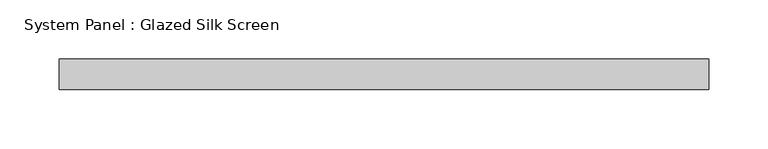
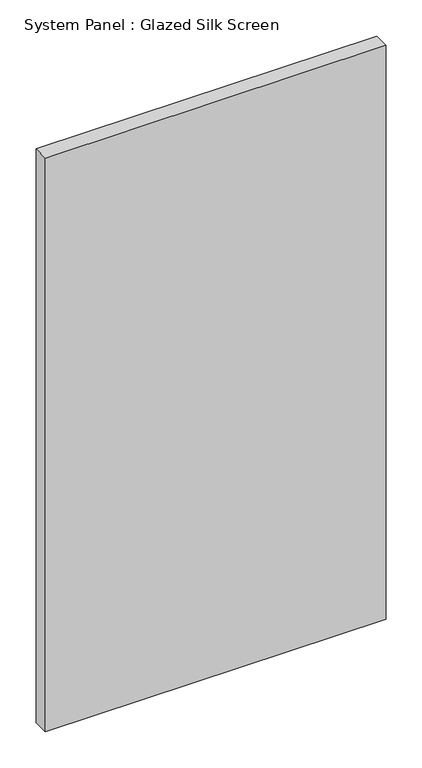
"""IFC4 building model written with IfcOpenShell, lengths in millimetres: plate geometry, System Panel : Glazed Silk Screen."""

from ifc_helpers import new_model, si_unit, origin, origin_with_axes, place, context, project, spatial, polyline, outline, extrude, source, transform, mapped, element, save


def system_panel_glazed_silk_screen_c40c75b1(model_context):
    return source(origin(), model_context, "Body", "SweptSolid", [
        extrude(outline(polyline([(273.05, 19.05), (-273.05, 19.05), (-273.05, 44.45), (273.05, 44.45), (273.05, 19.05)])), origin_with_axes(), (0.0, 0.0, 1.0), 971.55),
    ])


if __name__ == "__main__":
    model = new_model("IFC4")
    model_context = context("Model", 3, world=origin())
    ifc_project = project(units=[si_unit("LENGTHUNIT", "METRE", prefix="MILLI")], contexts=[model_context])
    site = spatial("IfcSite", under=ifc_project)
    building = spatial("IfcBuilding", under=site)
    placement = place(None, origin())
    system_panel_glazed_silk_screen_shape = system_panel_glazed_silk_screen_c40c75b1(model_context)
    element("IfcPlate", 1, ObjectType="System Panel : Glazed Silk Screen", at=placement, inside=building, context=model_context, shape_type="MappedRepresentation", body=[
        mapped(system_panel_glazed_silk_screen_shape, transform((0.0, 0.0, 0.0), x_axis=(1.0, 0.0, 0.0), y_axis=(0.0, 1.0, 0.0), z_axis=(0.0, 0.0, 1.0))),
    ])
    save(model, "model.ifc")
